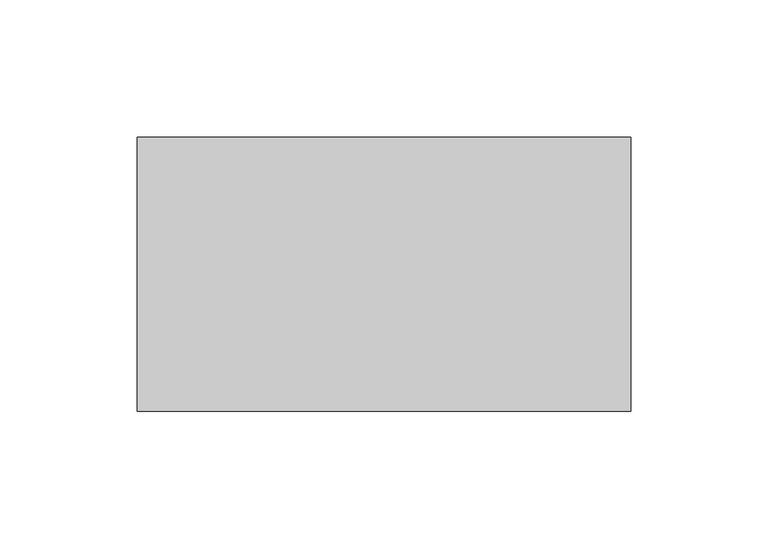
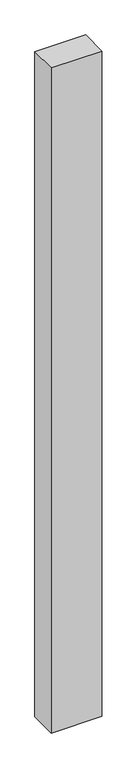
"""IFC4 building model written with IfcOpenShell, lengths in millimetres: proxy geometry."""

from ifc_helpers import new_model, si_unit, frame, origin, place, context, project, spatial, polyline, outline, extrude, source, transform, mapped, element, save


def generic_models_7c1eb1e6(model_context):
    return source(origin(), model_context, "Body", "SweptSolid", [
        extrude(outline(polyline([(180.0, 100.0), (180.0, 0.0), (0.0, 0.0), (0.0, 100.0), (180.0, 100.0)])), frame((0.0, 0.0, -2500.0), z_axis=(0.0, 0.0, 1.0), x_axis=(1.0, 0.0, 0.0)), (0.0, 0.0, 1.0), 2500.0),
    ])


if __name__ == "__main__":
    model = new_model("IFC4")
    model_context = context("Model", 3, world=origin())
    ifc_project = project(units=[si_unit("LENGTHUNIT", "METRE", prefix="MILLI")], contexts=[model_context])
    site = spatial("IfcSite", under=ifc_project)
    building = spatial("IfcBuilding", under=site)
    placement = place(None, origin())
    generic_models_shape = generic_models_7c1eb1e6(model_context)
    element("IfcBuildingElementProxy", 1, Name="Generic Models", at=placement, inside=building, context=model_context, shape_type="MappedRepresentation", body=[
        mapped(generic_models_shape, transform((0.0, 0.0, 0.0), x_axis=(1.0, 0.0, 0.0), y_axis=(0.0, 1.0, 0.0), z_axis=(0.0, 0.0, 1.0))),
    ])
    save(model, "model.ifc")
